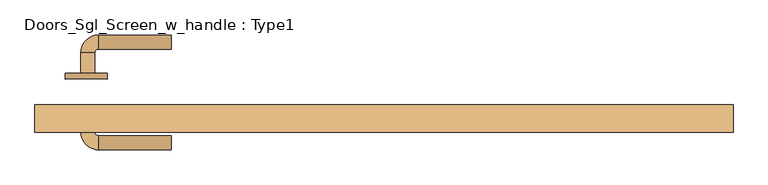
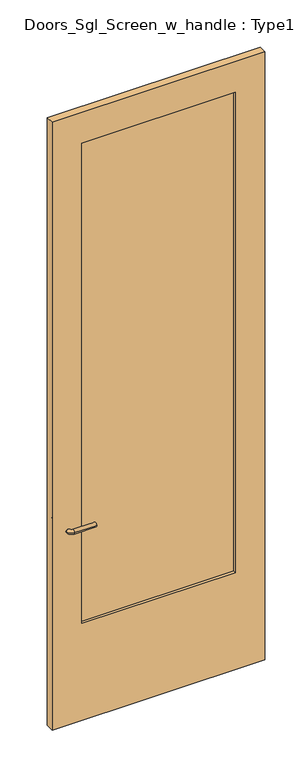
"""IFC4 building model written with IfcOpenShell, lengths in millimetres: door geometry, Doors_Sgl_Screen_w_handle : Type1."""

from ifc_helpers import new_model, si_unit, point, frame, frame_2d, origin, place, context, project, spatial, polyline, circle_curve, ellipse_curve, trimmed, segment, composite_curve, outline, extrude, source, transform, mapped, element, save
from ifc_brep_helpers import plane_surface, cylinder_surface, revolved_surface, advanced_brep


def doors_sgl_screen_w_handle_type1_c97f51d0(model_context):
    return source(origin(), model_context, "Body", "SolidModel", [
        advanced_brep(
        [(-435.45, 33.964741, 965.2), (-415.45, 33.964741, 965.2), (-435.45, 63.964741, 965.2), (-415.45, 63.964741, 965.2), (-410.45, 68.964741, 965.2), (-410.45, 88.964741, 965.2), (-305.45, 88.964741, 965.2), (-305.45, 68.964741, 965.2)],
        [
            (0, 1, circle_curve(frame((-425.45, 33.964741, 965.2), z_axis=(0.0, -1.0, 0.0), x_axis=(1.0, 0.0, 0.0)), 10.0)),
            (1, 0, circle_curve(frame((-425.45, 33.964741, 965.2), z_axis=(0.0, -1.0, 0.0), x_axis=(1.0, 0.0, 0.0)), 10.0)),
            (0, 2),
            (2, 3, circle_curve(frame((-425.45, 63.964741, 965.2), z_axis=(0.0, -1.0, 0.0), x_axis=(1.0, 0.0, 0.0)), 10.0)),
            (3, 1),
            (3, 2, circle_curve(frame((-425.45, 63.964741, 965.2), z_axis=(0.0, -1.0, 0.0), x_axis=(1.0, 0.0, 0.0)), 10.0)),
            (4, 3, circle_curve(frame((-410.45, 63.964741, 965.2), z_axis=(0.0, 0.0, 1.0), x_axis=(-1.0, 0.0, 0.0)), 5.0)),
            (2, 5, circle_curve(frame((-410.45, 63.964741, 965.2), z_axis=(0.0, 0.0, -1.0), x_axis=(-1.0, 0.0, 0.0)), 25.0)),
            (5, 4, circle_curve(frame((-410.45, 78.964741, 965.2), z_axis=(-1.0, 0.0, 0.0), x_axis=(0.0, -1.0, 0.0)), 10.0)),
            (4, 5, circle_curve(frame((-410.45, 78.964741, 965.2), z_axis=(-1.0, 0.0, 0.0), x_axis=(0.0, -1.0, 0.0)), 10.0)),
            (6, 7, circle_curve(frame((-305.45, 78.964741, 965.2), z_axis=(1.0, 0.0, 0.0), x_axis=(0.0, -1.0, 0.0)), 10.0)),
            (7, 6, circle_curve(frame((-305.45, 78.964741, 965.2), z_axis=(1.0, 0.0, 0.0), x_axis=(0.0, -1.0, 0.0)), 10.0)),
            (5, 6),
            (7, 4),
        ],
        [
            plane_surface(frame((-425.45, 33.964741, 965.2), z_axis=(0.0, -1.0, 0.0), x_axis=(0.0, 0.0, 1.0))),
            cylinder_surface(frame((-425.45, 33.964741, 965.2), z_axis=(0.0, -1.0, 0.0), x_axis=(1.0, 0.0, 0.0)), 10.0),
            revolved_surface(trimmed(ellipse_curve(frame((-425.45, 63.964741, 965.2), z_axis=(0.0, -1.0, 0.0), x_axis=(1.0, 0.0, 0.0)), 10.0, 10.0), [point((-435.45, 63.964741, 965.2))], [point((-415.45, 63.964741, 965.2))], True, "CARTESIAN"), (-410.45, 63.964741, 965.2), (0.0, 0.0, -1.0)),
            revolved_surface(trimmed(ellipse_curve(frame((-425.45, 63.964741, 965.2), z_axis=(0.0, -1.0, 0.0), x_axis=(1.0, 0.0, 0.0)), 10.0, 10.0), [point((-415.45, 63.964741, 965.2))], [point((-435.45, 63.964741, 965.2))], True, "CARTESIAN"), (-410.45, 63.964741, 965.2), (0.0, 0.0, -1.0)),
            plane_surface(frame((-305.45, 78.964741, 965.2), z_axis=(1.0, 0.0, 0.0), x_axis=(0.0, 0.0, 1.0))),
            cylinder_surface(frame((-410.45, 78.964741, 965.2), z_axis=(-1.0, 0.0, 0.0), x_axis=(0.0, -1.0, 0.0)), 10.0),
        ],
        [
            (0, [[1, 2]]),
            (1, [[-1, 3, 4, 5]]),
            (1, [[-2, -5, 6, -3]]),
            (2, [[7, -4, 8, 9]]),
            (3, [[-8, -6, -7, 10]]),
            (4, [[11, 12]]),
            (5, [[-9, 13, -12, 14]]),
            (5, [[-10, -14, -11, -13]]),
        ],
    ),
        extrude(outline(composite_curve([segment(trimmed(circle_curve(frame_2d((965.2, -427.95)), 30.0), [point((965.2, -457.95))], [point((965.2, -397.95))], False, "CARTESIAN"), True, "CONTINUOUS"), segment(trimmed(circle_curve(frame_2d((965.2, -427.95)), 30.0), [point((965.2, -397.95))], [point((965.2, -457.95))], False, "CARTESIAN"), True, "CONTINUOUS")], self_intersect=False)), frame((0.0, 25.964741, 0.0), z_axis=(0.0, 1.0, 0.0), x_axis=(0.0, 0.0, 1.0)), (0.0, 0.0, 1.0), 8.0),
        advanced_brep(
        [(-435.45, -20.5788556, 965.2), (-415.45, -20.5788556, 965.2), (-415.45, -50.5788556, 965.2), (-435.45, -50.5788556, 965.2), (-410.45, -55.5788556, 965.2), (-410.45, -75.5788556, 965.2), (-305.45, -75.5788556, 965.2), (-305.45, -55.5788556, 965.2)],
        [
            (0, 1, circle_curve(frame((-425.45, -20.5788556, 965.2), z_axis=(0.0, 1.0, 0.0), x_axis=(1.0, 0.0, 0.0)), 10.0)),
            (1, 0, circle_curve(frame((-425.45, -20.5788556, 965.2), z_axis=(0.0, 1.0, 0.0), x_axis=(1.0, 0.0, 0.0)), 10.0)),
            (1, 2),
            (2, 3, circle_curve(frame((-425.45, -50.5788556, 965.2), z_axis=(0.0, 1.0, 0.0), x_axis=(1.0, 0.0, 0.0)), 10.0)),
            (3, 0),
            (3, 2, circle_curve(frame((-425.45, -50.5788556, 965.2), z_axis=(0.0, 1.0, 0.0), x_axis=(1.0, 0.0, 0.0)), 10.0)),
            (4, 5, circle_curve(frame((-410.45, -65.5788556, 965.2), z_axis=(-1.0, 0.0, 0.0), x_axis=(0.0, 1.0, 0.0)), 10.0)),
            (5, 3, circle_curve(frame((-410.45, -50.5788556, 965.2), z_axis=(0.0, 0.0, -1.0), x_axis=(-1.0, 0.0, 0.0)), 25.0)),
            (2, 4, circle_curve(frame((-410.45, -50.5788556, 965.2), z_axis=(0.0, 0.0, 1.0), x_axis=(-1.0, 0.0, 0.0)), 5.0)),
            (5, 4, circle_curve(frame((-410.45, -65.5788556, 965.2), z_axis=(-1.0, 0.0, 0.0), x_axis=(0.0, 1.0, 0.0)), 10.0)),
            (6, 7, circle_curve(frame((-305.45, -65.5788556, 965.2), z_axis=(1.0, 0.0, 0.0), x_axis=(0.0, 1.0, 0.0)), 10.0)),
            (7, 6, circle_curve(frame((-305.45, -65.5788556, 965.2), z_axis=(1.0, 0.0, 0.0), x_axis=(0.0, 1.0, 0.0)), 10.0)),
            (4, 7),
            (6, 5),
        ],
        [
            plane_surface(frame((-425.45, -20.5788556, 965.2), z_axis=(0.0, 1.0, 0.0), x_axis=(0.0, 0.0, 1.0))),
            cylinder_surface(frame((-425.45, -20.5788556, 965.2), z_axis=(0.0, 1.0, 0.0), x_axis=(1.0, 0.0, 0.0)), 10.0),
            revolved_surface(trimmed(ellipse_curve(frame((-425.45, -50.5788556, 965.2), z_axis=(0.0, -1.0, 0.0), x_axis=(1.0, 0.0, 0.0)), 10.0, 10.0), [point((-435.45, -50.5788556, 965.2))], [point((-415.45, -50.5788556, 965.2))], True, "CARTESIAN"), (-410.45, -50.5788556, 965.2), (0.0, 0.0, -1.0)),
            revolved_surface(trimmed(ellipse_curve(frame((-425.45, -50.5788556, 965.2), z_axis=(0.0, -1.0, 0.0), x_axis=(1.0, 0.0, 0.0)), 10.0, 10.0), [point((-415.45, -50.5788556, 965.2))], [point((-435.45, -50.5788556, 965.2))], True, "CARTESIAN"), (-410.45, -50.5788556, 965.2), (0.0, 0.0, -1.0)),
            plane_surface(frame((-305.45, -65.5788556, 965.2), z_axis=(1.0, 0.0, 0.0), x_axis=(0.0, 0.0, 1.0))),
            cylinder_surface(frame((-410.45, -65.5788556, 965.2), z_axis=(-1.0, 0.0, 0.0), x_axis=(0.0, 1.0, 0.0)), 10.0),
        ],
        [
            (0, [[1, 2]]),
            (1, [[3, 4, 5, -2]]),
            (1, [[-5, 6, -3, -1]]),
            (2, [[7, 8, -4, 9]]),
            (3, [[10, -9, -6, -8]]),
            (4, [[11, 12]]),
            (5, [[13, -11, 14, -7]]),
            (5, [[-14, -12, -13, -10]]),
        ],
    ),
        extrude(outline(composite_curve([segment(trimmed(circle_curve(frame_2d((965.2, -427.95)), 30.0), [point((965.2, -457.95))], [point((965.2, -397.95))], False, "CARTESIAN"), True, "CONTINUOUS"), segment(trimmed(circle_curve(frame_2d((965.2, -427.95)), 30.0), [point((965.2, -397.95))], [point((965.2, -457.95))], False, "CARTESIAN"), True, "CONTINUOUS")], self_intersect=False)), frame((0.0, -20.5788556, 0.0), z_axis=(0.0, 1.0, 0.0), x_axis=(0.0, 0.0, 1.0)), (0.0, 0.0, 1.0), 8.0),
        extrude(outline(polyline([(361.95, -25.4), (361.95, -38.1), (-361.95, -38.1), (-361.95, -25.4), (361.95, -25.4)])), frame((0.0, 0.0, 482.6), z_axis=(0.0, 0.0, 1.0), x_axis=(1.0, 0.0, 0.0)), (0.0, 0.0, 1.0), 2392.8916667),
        extrude(outline(polyline([(3027.8916667, -501.65), (0.0, -501.65), (0.0, 501.65), (3027.8916667, 501.65), (3027.8916667, -501.65)]), holes=[polyline([(2875.4916667, -361.95), (2875.4916667, 361.95), (482.6, 361.95), (482.6, -361.95), (2875.4916667, -361.95)])]), frame((0.0, -50.6788556, 0.0), z_axis=(0.0, 1.0, 0.0), x_axis=(0.0, 0.0, 1.0)), (0.0, 0.0, 1.0), 39.2435966),
    ])


if __name__ == "__main__":
    model = new_model("IFC4")
    model_context = context("Model", 3, world=origin())
    ifc_project = project(units=[si_unit("LENGTHUNIT", "METRE", prefix="MILLI")], contexts=[model_context])
    site = spatial("IfcSite", under=ifc_project)
    building = spatial("IfcBuilding", under=site)
    placement = place(None, origin())
    doors_sgl_screen_w_handle_type1_shape = doors_sgl_screen_w_handle_type1_c97f51d0(model_context)
    element("IfcDoor", 1, ObjectType="Doors_Sgl_Screen_w_handle : Type1", at=placement, inside=building, context=model_context, shape_type="MappedRepresentation", body=[
        mapped(doors_sgl_screen_w_handle_type1_shape, transform((0.0, 0.0, 0.0), x_axis=(1.0, 0.0, 0.0), y_axis=(0.0, 1.0, 0.0), z_axis=(0.0, 0.0, 1.0))),
    ])
    save(model, "model.ifc")
